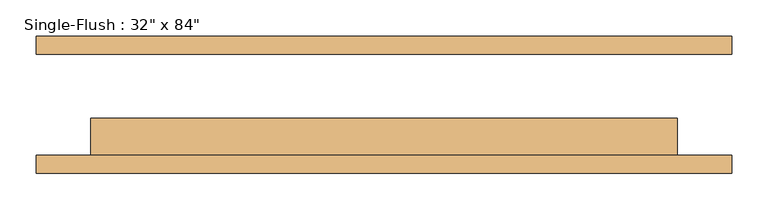
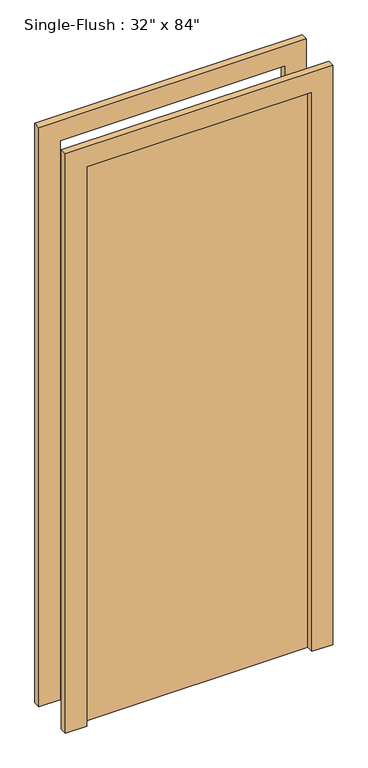
"""IFC4 building model written with IfcOpenShell, lengths in millimetres: door geometry."""

from ifc_helpers import new_model, si_unit, frame, origin, origin_with_axes, place, context, project, spatial, polyline, outline, extrude, source, transform, mapped, element, save


def door_5942269a(model_context):
    return source(origin(), model_context, "Body", "SweptSolid", [
        extrude(outline(polyline([(2209.8, -482.6), (0.0, -482.6), (0.0, -406.4), (2133.6, -406.4), (2133.6, 406.4), (0.0, 406.4), (0.0, 482.6), (2209.8, 482.6), (2209.8, -482.6)])), frame((0.0, -95.25, 0.0), z_axis=(0.0, 1.0, 0.0), x_axis=(0.0, 0.0, 1.0)), (0.0, 0.0, 1.0), 25.4),
        extrude(outline(polyline([(2209.8, 482.6), (2209.8, -482.6), (0.0, -482.6), (0.0, -406.4), (2133.6, -406.4), (2133.6, 406.4), (0.0, 406.4), (0.0, 482.6), (2209.8, 482.6)])), frame((0.0, 69.85, 0.0), z_axis=(0.0, 1.0, 0.0), x_axis=(0.0, 0.0, 1.0)), (0.0, 0.0, 1.0), 25.4),
        extrude(outline(polyline([(406.4, -19.05), (406.4, -69.85), (-406.4, -69.85), (-406.4, -19.05), (406.4, -19.05)])), origin_with_axes(), (0.0, 0.0, 1.0), 2133.6),
    ])


if __name__ == "__main__":
    model = new_model("IFC4")
    model_context = context("Model", 3, world=origin())
    ifc_project = project(units=[si_unit("LENGTHUNIT", "METRE", prefix="MILLI")], contexts=[model_context])
    site = spatial("IfcSite", under=ifc_project)
    building = spatial("IfcBuilding", under=site)
    placement = place(None, origin())
    door_shape = door_5942269a(model_context)
    element("IfcDoor", 1, ObjectType="Single-Flush : 32\" x 84\"", at=placement, inside=building, context=model_context, shape_type="MappedRepresentation", body=[
        mapped(door_shape, transform((0.0, 0.0, 0.0), x_axis=(1.0, 0.0, 0.0), y_axis=(0.0, 1.0, 0.0), z_axis=(0.0, 0.0, 1.0))),
    ])
    save(model, "model.ifc")
